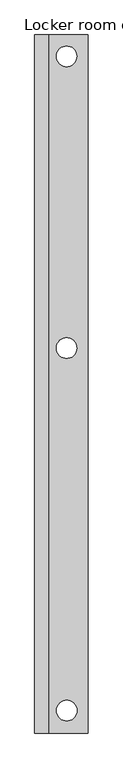
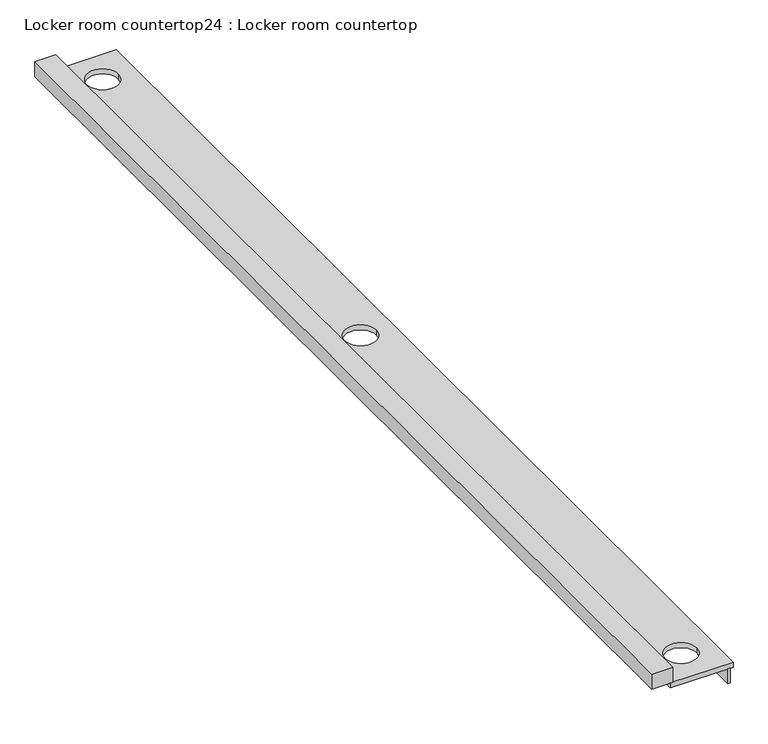
"""IFC4 building model written with IfcOpenShell, lengths in millimetres: furniture geometry, Locker room countertop24 : Locker room countertop."""

from ifc_helpers import new_model, si_unit, point, frame, frame_2d, origin, place, context, project, spatial, polyline, circle_curve, trimmed, segment, composite_curve, outline, extrude, source, transform, mapped, element, save


def locker_room_countertop24_locker_room_countertop_af9d82cf(model_context):
    return source(origin(), model_context, "Body", "SweptSolid", [
        extrude(outline(polyline([(452880.2004676, -195149.0080223), (452854.8004676, -195149.0080223), (452854.8004676, -184819.1455223), (452880.2004676, -184819.1455223), (452880.2004676, -195149.0080223)])), frame((0.0, 0.0, 660.4), z_axis=(0.0, 0.0, 1.0), x_axis=(1.0, 0.0, 0.0)), (0.0, 0.0, 1.0), 152.4),
        extrude(outline(polyline([(452321.4004676, -184819.1455223), (452321.4004676, -195149.0080223), (452118.2004676, -195149.0080223), (452118.2004676, -184819.1455223), (452321.4004676, -184819.1455223)])), frame((0.0, 0.0, 863.6), z_axis=(0.0, 0.0, 1.0), x_axis=(1.0, 0.0, 0.0)), (0.0, 0.0, 1.0), 152.4),
        extrude(outline(polyline([(452905.6004676, -184819.1455223), (452905.6004676, -195149.0080223), (452296.0004676, -195149.0080223), (452296.0004676, -184819.1455223), (452905.6004676, -184819.1455223)]), holes=[composite_curve([segment(trimmed(circle_curve(frame_2d((452590.8010369, -185135.6938124)), 152.4), [point((452438.4010369, -185135.6938124))], [point((452743.2010369, -185135.6938124))], True, "CARTESIAN"), True, "CONTINUOUS"), segment(trimmed(circle_curve(frame_2d((452590.8010369, -185135.6938124)), 152.4), [point((452743.2010369, -185135.6938124))], [point((452438.4010369, -185135.6938124))], True, "CARTESIAN"), True, "CONTINUOUS")], self_intersect=False), composite_curve([segment(trimmed(circle_curve(frame_2d((452593.4692313, -194816.4263657)), 152.4), [point((452441.0692313, -194816.4263657))], [point((452745.8692313, -194816.4263657))], True, "CARTESIAN"), True, "CONTINUOUS"), segment(trimmed(circle_curve(frame_2d((452593.4692313, -194816.4263657)), 152.4), [point((452745.8692313, -194816.4263657))], [point((452441.0692313, -194816.4263657))], True, "CARTESIAN"), True, "CONTINUOUS")], self_intersect=False), composite_curve([segment(trimmed(circle_curve(frame_2d((452590.8010369, -189453.6938124)), 152.4), [point((452438.4010369, -189453.6938124))], [point((452743.2010369, -189453.6938124))], True, "CARTESIAN"), True, "CONTINUOUS"), segment(trimmed(circle_curve(frame_2d((452590.8010369, -189453.6938124)), 152.4), [point((452743.2010369, -189453.6938124))], [point((452438.4010369, -189453.6938124))], True, "CARTESIAN"), True, "CONTINUOUS")], self_intersect=False)]), frame((0.0, 0.0, 812.8), z_axis=(0.0, 0.0, 1.0), x_axis=(1.0, 0.0, 0.0)), (0.0, 0.0, 1.0), 50.8),
    ])


if __name__ == "__main__":
    model = new_model("IFC4")
    model_context = context("Model", 3, world=origin())
    ifc_project = project(units=[si_unit("LENGTHUNIT", "METRE", prefix="MILLI")], contexts=[model_context])
    site = spatial("IfcSite", under=ifc_project)
    building = spatial("IfcBuilding", under=site)
    placement = place(None, origin())
    locker_room_countertop24_locker_room_countertop_shape = locker_room_countertop24_locker_room_countertop_af9d82cf(model_context)
    element("IfcFurniture", 1, ObjectType="Locker room countertop24 : Locker room countertop", at=placement, inside=building, context=model_context, shape_type="MappedRepresentation", body=[
        mapped(locker_room_countertop24_locker_room_countertop_shape, transform((0.0, 0.0, 0.0), x_axis=(1.0, 0.0, 0.0), y_axis=(0.0, 1.0, 0.0), z_axis=(0.0, 0.0, 1.0))),
    ])
    save(model, "model.ifc")
